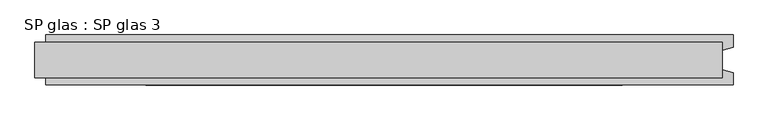
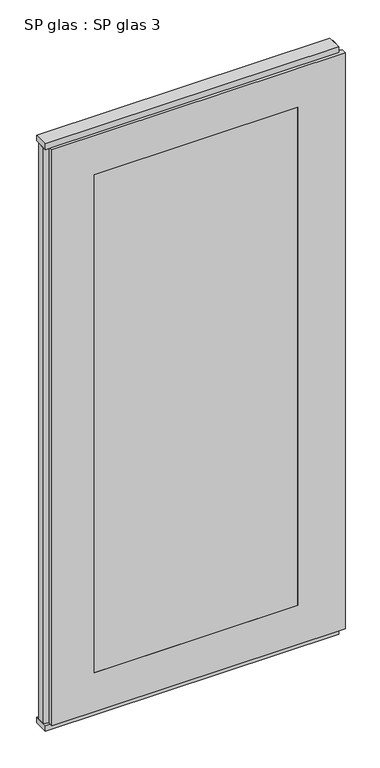
"""IFC4 building model written with IfcOpenShell, lengths in millimetres: plate geometry, SP glas : SP glas 3."""

from ifc_helpers import new_model, si_unit, frame, origin, origin_with_axes, place, context, project, spatial, polyline, outline, extrude, faceted_brep, source, transform, mapped, element, save


def sp_glas_sp_glas_3_b55b0851(model_context):
    return source(origin(), model_context, "Body", "SolidModel", [
        extrude(outline(polyline([(620.0, 32.0), (620.0, -32.0), (-620.0, -32.0), (-620.0, 32.0), (620.0, 32.0)])), origin_with_axes(), (0.0, 0.0, 1.0), 25.0),
        extrude(outline(polyline([(620.0, 32.0), (620.0, -32.0), (-620.0, -32.0), (-620.0, 32.0), (620.0, 32.0)])), frame((0.0, 0.0, 2602.0), z_axis=(0.0, 0.0, 1.0), x_axis=(1.0, 0.0, 0.0)), (0.0, 0.0, 1.0), 25.0),
        faceted_brep([(640.0, 45.0, 25.0), (640.0, 22.9993165, 25.0), (620.0, 17.6401049, 25.0), (620.0, -17.6401049, 25.0), (640.0, -22.9993165, 25.0), (640.0, -45.0, 25.0), (-600.0, -45.0, 25.0), (-600.0, -22.9993165, 25.0), (-620.0, -17.6401049, 25.0), (-620.0, 17.6401049, 25.0), (-600.0, 22.9993165, 25.0), (-600.0, 45.0, 25.0), (640.0, 45.0, 2602.0), (640.0, 22.9993165, 2602.0), (620.0, 17.6401049, 2602.0), (620.0, -17.6401049, 2602.0), (640.0, -22.9993165, 2602.0), (640.0, -45.0, 2602.0), (-600.0, -45.0, 2602.0), (-420.0, -45.0, 200.0), (-420.0, -45.0, 2427.0), (440.0, -45.0, 2427.0), (440.0, -45.0, 200.0), (-600.0, -22.9993165, 2602.0), (-620.0, -17.6401049, 2602.0), (-620.0, 17.6401049, 2602.0), (-600.0, 22.9993165, 2602.0), (-600.0, 45.0, 2602.0), (-420.0, 45.0, 2427.0), (-420.0, 45.0, 200.0), (440.0, 45.0, 200.0), (440.0, 45.0, 2427.0)], [[[0, 1, 2, 3, 4, 5, 6, 7, 8, 9, 10, 11]], [[1, 0, 12, 13]], [[2, 1, 13, 14]], [[3, 2, 14, 15]], [[4, 3, 15, 16]], [[5, 4, 16, 17]], [[6, 5, 17, 18], [19, 20, 21, 22]], [[7, 6, 18, 23]], [[8, 7, 23, 24]], [[9, 8, 24, 25]], [[10, 9, 25, 26]], [[11, 10, 26, 27]], [[0, 11, 27, 12], [28, 29, 30, 31]], [[28, 20, 19, 29]], [[30, 22, 21, 31]], [[29, 19, 22, 30]], [[12, 27, 26, 25, 24, 23, 18, 17, 16, 15, 14, 13]], [[20, 28, 31, 21]]]),
        extrude(outline(polyline([(440.0, 45.0), (440.0, -45.0), (-420.0, -45.0), (-420.0, 45.0), (440.0, 45.0)])), frame((0.0, 0.0, 200.0), z_axis=(0.0, 0.0, 1.0), x_axis=(1.0, 0.0, 0.0)), (0.0, 0.0, 1.0), 2227.0),
    ])


if __name__ == "__main__":
    model = new_model("IFC4")
    model_context = context("Model", 3, world=origin())
    ifc_project = project(units=[si_unit("LENGTHUNIT", "METRE", prefix="MILLI")], contexts=[model_context])
    site = spatial("IfcSite", under=ifc_project)
    building = spatial("IfcBuilding", under=site)
    placement = place(None, origin())
    sp_glas_sp_glas_3_shape = sp_glas_sp_glas_3_b55b0851(model_context)
    element("IfcPlate", 1, ObjectType="SP glas : SP glas 3", at=placement, inside=building, context=model_context, shape_type="MappedRepresentation", body=[
        mapped(sp_glas_sp_glas_3_shape, transform((0.0, 0.0, 0.0), x_axis=(1.0, 0.0, 0.0), y_axis=(0.0, 1.0, 0.0), z_axis=(0.0, 0.0, 1.0))),
    ])
    save(model, "model.ifc")
